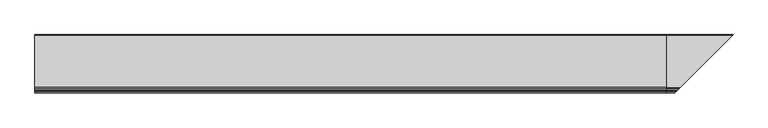
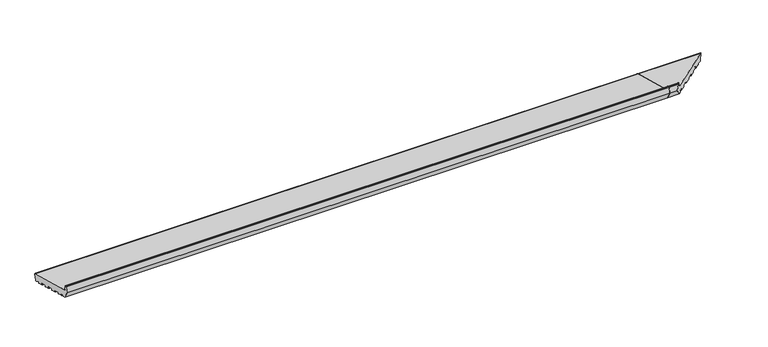
"""IFC4 building model written with IfcOpenShell, lengths in millimetres: proxy geometry."""

from ifc_helpers import new_model, si_unit, point, frame, frame_2d, origin, place, context, project, spatial, polyline, circle_curve, ellipse_curve, trimmed, segment, composite_curve, outline, extrude, source, transform, mapped, element, save
from ifc_brep_helpers import plane_surface, cylinder_surface, revolved_surface, advanced_brep


def generic_models_30f48ffd(model_context):
    return source(origin(), model_context, "Body", "SolidModel", [
        advanced_brep(
        [(2631.0, 24.372022, 5.5048126), (2631.0, 21.6552444, 6.2327709), (2631.0, 7.4870147, 14.8202172), (2631.0, 6.0027589, 14.2238555), (2631.0, 5.0535055, 10.6811935), (2631.0, 3.8287606, 9.9740867), (2631.0, -18.3875334, 15.9269247), (2631.0, -19.0946402, 17.1516696), (2631.0, -18.059364, 21.0153729), (2631.0, -18.7664708, 22.2401178), (2631.0, -41.9486906, 28.4517749), (2631.0, -43.1734355, 27.7446681), (2631.0, -44.2087117, 23.8809648), (2631.0, -45.4334565, 23.173858), (2631.0, -67.6497505, 29.126696), (2631.0, -68.3568573, 30.3514409), (2631.0, -67.3215811, 34.2151442), (2631.0, -68.0286879, 35.4398891), (2631.0, -91.2109077, 41.6515462), (2631.0, -92.4356526, 40.9444394), (2631.0, -93.4709288, 37.0807361), (2631.0, -94.6956737, 36.3736293), (2631.0, -116.9119677, 42.3264673), (2631.0, -117.6190745, 43.5512122), (2631.0, -116.5837983, 47.4149155), (2631.0, -117.2909051, 48.6396604), (2631.0, -140.4731249, 54.8513175), (2631.0, -141.6978698, 54.1442107), (2631.0, -142.7331459, 50.2805074), (2631.0, -143.9578908, 49.5734006), (2631.0, -166.1741848, 55.5262386), (2631.0, -166.8812916, 56.7509835), (2631.0, -165.8460154, 60.6146868), (2631.0, -166.5531222, 61.8394317), (2631.0, -176.2123805, 64.4276221), (2631.0, -177.4371253, 63.7205153), (2631.0, -178.4724015, 59.856812), (2631.0, -179.6971464, 59.1497053), (2631.0, -190.3223305, 61.9967148), (2631.0, -208.0, 92.6153365), (2631.0, -201.4291321, 117.1381494), (2631.0, -199.9802434, 118.2499208), (2631.0, -196.6368689, 118.2499208), (2631.0, -195.1879801, 117.1381494), (2631.0, -190.4052841, 99.2888846), (2631.0, -186.1626434, 95.0462439), (2631.0, 32.6542315, 36.414439), (2631.0, 34.7755518, 32.7402044), (2631.0, 28.0462566, 7.6261329), (2900.0462566, 28.0462566, 7.6261329), (2896.372022, 24.372022, 5.5048126), (2906.7755518, 34.7755518, 32.7402044), (2904.6542315, 32.6542315, 36.414439), (2685.8373566, -186.1626434, 95.0462439), (2681.5947159, -190.4052841, 99.2888846), (2676.8120199, -195.1879801, 117.1381494), (2675.3631311, -196.6368689, 118.2499208), (2672.0197566, -199.9802434, 118.2499208), (2670.5708679, -201.4291321, 117.1381494), (2664.0, -208.0, 92.6153365), (2681.6776695, -190.3223305, 61.9967148), (2692.3028536, -179.6971464, 59.1497053), (2693.5275985, -178.4724015, 59.856812), (2694.5628747, -177.4371253, 63.7205153), (2695.7876195, -176.2123805, 64.4276221), (2705.4468778, -166.5531222, 61.8394317), (2706.1539846, -165.8460154, 60.6146868), (2705.1187084, -166.8812916, 56.7509835), (2705.8258152, -166.1741848, 55.5262386), (2728.0421092, -143.9578908, 49.5734006), (2729.2668541, -142.7331459, 50.2805074), (2730.3021302, -141.6978698, 54.1442107), (2731.5268751, -140.4731249, 54.8513175), (2893.6552444, 21.6552444, 6.2327709), (2754.7090949, -117.2909051, 48.6396604), (2755.0880323, -116.9119677, 42.3264673), (2754.3809255, -117.6190745, 43.5512122), (2755.4162017, -116.5837983, 47.4149155), (2777.3043263, -94.6956737, 36.3736293), (2778.5290712, -93.4709288, 37.0807361), (2779.5643474, -92.4356526, 40.9444394), (2780.7890923, -91.2109077, 41.6515462), (2803.9713121, -68.0286879, 35.4398891), (2804.6784189, -67.3215811, 34.2151442), (2803.6431427, -68.3568573, 30.3514409), (2804.3502495, -67.6497505, 29.126696), (2826.5665435, -45.4334565, 23.173858), (2827.7912883, -44.2087117, 23.8809648), (2828.8265645, -43.1734355, 27.7446681), (2830.0513094, -41.9486906, 28.4517749), (2853.2335292, -18.7664708, 22.2401178), (2853.940636, -18.059364, 21.0153729), (2852.9053598, -19.0946402, 17.1516696), (2853.6124666, -18.3875334, 15.9269247), (2875.8287606, 3.8287606, 9.9740867), (2877.0535055, 5.0535055, 10.6811935), (2878.0027589, 6.0027589, 14.2238555), (2879.4870147, 7.4870147, 14.8202172)],
        [
            (0, 1),
            (1, 2),
            (2, 3, circle_curve(frame((2631.0, 6.9686847, 13.9650365), z_axis=(1.0, 0.0, 0.0), x_axis=(0.0, 1.0, 0.0)), 1.0)),
            (3, 4),
            (4, 5, circle_curve(frame((2631.0, 4.0875797, 10.9400125), z_axis=(-1.0, 0.0, 0.0), x_axis=(0.0, 1.0, 0.0)), 1.0)),
            (5, 6),
            (6, 7, circle_curve(frame((2631.0, -18.1287143, 16.8928505), z_axis=(-1.0, 0.0, 0.0), x_axis=(0.0, 1.0, 0.0)), 1.0)),
            (7, 8),
            (8, 9, circle_curve(frame((2631.0, -19.0252898, 21.2741919), z_axis=(1.0, 0.0, 0.0), x_axis=(0.0, 1.0, 0.0)), 1.0)),
            (9, 10),
            (10, 11, circle_curve(frame((2631.0, -42.2075096, 27.485849), z_axis=(1.0, 0.0, 0.0), x_axis=(0.0, 1.0, 0.0)), 1.0)),
            (11, 12),
            (12, 13, circle_curve(frame((2631.0, -45.1746375, 24.1397838), z_axis=(-1.0, 0.0, 0.0), x_axis=(0.0, 1.0, 0.0)), 1.0)),
            (13, 14),
            (14, 15, circle_curve(frame((2631.0, -67.3909315, 30.0926218), z_axis=(-1.0, 0.0, 0.0), x_axis=(0.0, 1.0, 0.0)), 1.0)),
            (15, 16),
            (16, 17, circle_curve(frame((2631.0, -68.287507, 34.4739632), z_axis=(1.0, 0.0, 0.0), x_axis=(0.0, 1.0, 0.0)), 1.0)),
            (17, 18),
            (18, 19, circle_curve(frame((2631.0, -91.4697268, 40.6856203), z_axis=(1.0, 0.0, 0.0), x_axis=(0.0, 1.0, 0.0)), 1.0)),
            (19, 20),
            (20, 21, circle_curve(frame((2631.0, -94.4368546, 37.3395551), z_axis=(-1.0, 0.0, 0.0), x_axis=(0.0, 1.0, 0.0)), 1.0)),
            (21, 22),
            (22, 23, circle_curve(frame((2631.0, -116.6531486, 43.2923931), z_axis=(-1.0, 0.0, 0.0), x_axis=(0.0, 1.0, 0.0)), 1.0)),
            (23, 24),
            (24, 25, circle_curve(frame((2631.0, -117.5497241, 47.6737345), z_axis=(1.0, 0.0, 0.0), x_axis=(0.0, 1.0, 0.0)), 1.0)),
            (25, 26),
            (26, 27, circle_curve(frame((2631.0, -140.7319439, 53.8853916), z_axis=(1.0, 0.0, 0.0), x_axis=(0.0, 1.0, 0.0)), 1.0)),
            (27, 28),
            (28, 29, circle_curve(frame((2631.0, -143.6990718, 50.5393264), z_axis=(-1.0, 0.0, 0.0), x_axis=(0.0, 1.0, 0.0)), 1.0)),
            (29, 30),
            (30, 31, circle_curve(frame((2631.0, -165.9153658, 56.4921644), z_axis=(-1.0, 0.0, 0.0), x_axis=(0.0, 1.0, 0.0)), 1.0)),
            (31, 32),
            (32, 33, circle_curve(frame((2631.0, -166.8119412, 60.8735058), z_axis=(1.0, 0.0, 0.0), x_axis=(0.0, 1.0, 0.0)), 1.0)),
            (33, 34),
            (34, 35, circle_curve(frame((2631.0, -176.4711995, 63.4616963), z_axis=(1.0, 0.0, 0.0), x_axis=(0.0, 1.0, 0.0)), 1.0)),
            (35, 36),
            (36, 37, circle_curve(frame((2631.0, -179.4383273, 60.1156311), z_axis=(-1.0, 0.0, 0.0), x_axis=(0.0, 1.0, 0.0)), 1.0)),
            (37, 38),
            (38, 39),
            (39, 40),
            (40, 41, circle_curve(frame((2631.0, -199.9802434, 116.7499208), z_axis=(-1.0, 0.0, 0.0), x_axis=(0.0, 1.0, 0.0)), 1.5)),
            (41, 42),
            (42, 43, circle_curve(frame((2631.0, -196.6368689, 116.7499208), z_axis=(-1.0, 0.0, 0.0), x_axis=(0.0, 1.0, 0.0)), 1.5)),
            (43, 44),
            (44, 45, circle_curve(frame((2631.0, -184.6097291, 100.8417989), z_axis=(1.0, 0.0, 0.0), x_axis=(0.0, 1.0, 0.0)), 6.0)),
            (45, 46),
            (46, 47, circle_curve(frame((2631.0, 31.8777743, 33.5166615), z_axis=(-1.0, 0.0, 0.0), x_axis=(0.0, 1.0, 0.0)), 3.0)),
            (47, 48),
            (48, 0, circle_curve(frame((2631.0, 25.1484791, 8.40259), z_axis=(-1.0, 0.0, 0.0), x_axis=(0.0, 1.0, 0.0)), 3.0)),
            (48, 49),
            (49, 50, ellipse_curve(frame((2897.1484791, 25.1484791, 8.40259), z_axis=(-0.707106781186548, 0.7071067811865471, 0.0), x_axis=(0.707106781186547, 0.707106781186548, 0.0)), 4.2426407, 3.0)),
            (50, 0),
            (47, 51),
            (51, 49),
            (46, 52),
            (52, 51, ellipse_curve(frame((2903.8777743, 31.8777743, 33.5166615), z_axis=(-0.707106781186548, 0.7071067811865471, 0.0), x_axis=(0.707106781186547, 0.707106781186548, 0.0)), 4.2426407, 3.0)),
            (45, 53),
            (53, 52),
            (44, 54),
            (54, 53, ellipse_curve(frame((2687.3902709, -184.6097291, 100.8417989), z_axis=(0.707106781186548, -0.7071067811865471, 0.0), x_axis=(-0.707106781186547, -0.707106781186548, 0.0)), 8.4852814, 6.0)),
            (43, 55),
            (55, 54),
            (42, 56),
            (56, 55, ellipse_curve(frame((2675.3631311, -196.6368689, 116.7499208), z_axis=(-0.707106781186548, 0.7071067811865471, 0.0), x_axis=(0.707106781186547, 0.707106781186548, 0.0)), 2.1213203, 1.5)),
            (41, 57),
            (57, 56),
            (40, 58),
            (58, 57, ellipse_curve(frame((2672.0197566, -199.9802434, 116.7499208), z_axis=(-0.707106781186548, 0.7071067811865471, 0.0), x_axis=(0.707106781186547, 0.707106781186548, 0.0)), 2.1213203, 1.5)),
            (39, 59),
            (59, 58),
            (38, 60),
            (60, 59),
            (37, 61),
            (61, 60),
            (36, 62),
            (62, 61, ellipse_curve(frame((2692.5616727, -179.4383273, 60.1156311), z_axis=(-0.707106781186548, 0.7071067811865471, 0.0), x_axis=(0.707106781186547, 0.707106781186548, 0.0)), 1.4142136, 1.0)),
            (35, 63),
            (63, 62),
            (34, 64),
            (64, 63, ellipse_curve(frame((2695.5288005, -176.4711995, 63.4616963), z_axis=(0.707106781186548, -0.7071067811865471, 0.0), x_axis=(-0.707106781186547, -0.707106781186548, 0.0)), 1.4142136, 1.0)),
            (33, 65),
            (65, 64),
            (32, 66),
            (66, 65, ellipse_curve(frame((2705.1880588, -166.8119412, 60.8735058), z_axis=(0.707106781186548, -0.7071067811865471, 0.0), x_axis=(-0.707106781186547, -0.707106781186548, 0.0)), 1.4142136, 1.0)),
            (31, 67),
            (67, 66),
            (30, 68),
            (68, 67, ellipse_curve(frame((2706.0846342, -165.9153658, 56.4921644), z_axis=(-0.707106781186548, 0.7071067811865471, 0.0), x_axis=(0.707106781186547, 0.707106781186548, 0.0)), 1.4142136, 1.0)),
            (29, 69),
            (69, 68),
            (28, 70),
            (70, 69, ellipse_curve(frame((2728.3009282, -143.6990718, 50.5393264), z_axis=(-0.707106781186548, 0.7071067811865471, 0.0), x_axis=(0.707106781186547, 0.707106781186548, 0.0)), 1.4142136, 1.0)),
            (27, 71),
            (71, 70),
            (26, 72),
            (72, 71, ellipse_curve(frame((2731.2680561, -140.7319439, 53.8853916), z_axis=(0.707106781186548, -0.7071067811865471, 0.0), x_axis=(-0.707106781186547, -0.707106781186548, 0.0)), 1.4142136, 1.0)),
            (50, 73),
            (73, 1),
            (25, 74),
            (74, 72),
            (22, 75),
            (75, 76, ellipse_curve(frame((2755.3468514, -116.6531486, 43.2923931), z_axis=(-0.707106781186548, 0.7071067811865471, 0.0), x_axis=(0.707106781186547, 0.707106781186548, 0.0)), 1.4142136, 1.0)),
            (76, 23),
            (76, 77),
            (77, 24),
            (77, 74, ellipse_curve(frame((2754.4502759, -117.5497241, 47.6737345), z_axis=(0.707106781186548, -0.7071067811865471, 0.0), x_axis=(-0.707106781186547, -0.707106781186548, 0.0)), 1.4142136, 1.0)),
            (21, 78),
            (78, 75),
            (20, 79),
            (79, 78, ellipse_curve(frame((2777.5631454, -94.4368546, 37.3395551), z_axis=(-0.707106781186548, 0.7071067811865471, 0.0), x_axis=(0.707106781186547, 0.707106781186548, 0.0)), 1.4142136, 1.0)),
            (19, 80),
            (80, 79),
            (18, 81),
            (81, 80, ellipse_curve(frame((2780.5302732, -91.4697268, 40.6856203), z_axis=(0.707106781186548, -0.7071067811865471, 0.0), x_axis=(-0.707106781186547, -0.707106781186548, 0.0)), 1.4142136, 1.0)),
            (17, 82),
            (82, 81),
            (82, 83, ellipse_curve(frame((2803.712493, -68.287507, 34.4739632), z_axis=(-0.707106781186548, 0.7071067811865471, 0.0), x_axis=(-0.707106781186547, -0.707106781186548, 0.0)), 1.4142136, 1.0)),
            (83, 84),
            (84, 85, ellipse_curve(frame((2804.6090685, -67.3909315, 30.0926218), z_axis=(0.707106781186548, -0.7071067811865471, 0.0), x_axis=(0.707106781186547, 0.707106781186548, 0.0)), 1.4142136, 1.0)),
            (85, 86),
            (86, 87, ellipse_curve(frame((2826.8253625, -45.1746375, 24.1397838), z_axis=(0.707106781186548, -0.7071067811865471, 0.0), x_axis=(0.707106781186547, 0.707106781186548, 0.0)), 1.4142136, 1.0)),
            (87, 88),
            (88, 89, ellipse_curve(frame((2829.7924904, -42.2075096, 27.485849), z_axis=(-0.707106781186548, 0.7071067811865471, 0.0), x_axis=(-0.707106781186547, -0.707106781186548, 0.0)), 1.4142136, 1.0)),
            (89, 90),
            (90, 91, ellipse_curve(frame((2852.9747102, -19.0252898, 21.2741919), z_axis=(-0.707106781186548, 0.7071067811865471, 0.0), x_axis=(-0.707106781186547, -0.707106781186548, 0.0)), 1.4142136, 1.0)),
            (91, 92),
            (92, 93, ellipse_curve(frame((2853.8712857, -18.1287143, 16.8928505), z_axis=(0.707106781186548, -0.7071067811865471, 0.0), x_axis=(0.707106781186547, 0.707106781186548, 0.0)), 1.4142136, 1.0)),
            (93, 94),
            (94, 95, ellipse_curve(frame((2876.0875797, 4.0875797, 10.9400125), z_axis=(0.707106781186548, -0.7071067811865471, 0.0), x_axis=(0.707106781186547, 0.707106781186548, 0.0)), 1.4142136, 1.0)),
            (95, 96),
            (96, 97, ellipse_curve(frame((2878.9686847, 6.9686847, 13.9650365), z_axis=(-0.707106781186548, 0.7071067811865471, 0.0), x_axis=(-0.707106781186547, -0.707106781186548, 0.0)), 1.4142136, 1.0)),
            (97, 73),
            (9, 90),
            (89, 10),
            (88, 11),
            (87, 12),
            (86, 13),
            (85, 14),
            (84, 15),
            (83, 16),
            (97, 2),
            (96, 3),
            (95, 4),
            (94, 5),
            (93, 6),
            (92, 7),
            (91, 8),
        ],
        [
            plane_surface(frame((2631.0, 0.0, 0.0), z_axis=(-1.0, 0.0, 0.0), x_axis=(0.0, 0.0, 1.0))),
            cylinder_surface(frame((2907.4826586, 25.1484791, 8.40259), z_axis=(1.0, 0.0, 0.0), x_axis=(0.0, 1.0, 0.0)), 3.0),
            plane_surface(frame((2907.4826586, 34.7755518, 32.7402044), z_axis=(0.0, 0.9659258262890675, -0.25881904510252357), x_axis=(-1.0, 0.0, 0.0))),
            cylinder_surface(frame((2907.4826586, 31.8777743, 33.5166615), z_axis=(1.0, 0.0, 0.0), x_axis=(0.0, 1.0, 0.0)), 3.0),
            plane_surface(frame((2907.4826586, -186.1626434, 95.0462439), z_axis=(0.0, 0.2588190451025208, 0.9659258262890683), x_axis=(-1.0, 0.0, 0.0))),
            revolved_surface(polyline([(2631.0, -178.6097291, 100.8417989), (2693.390270918216, -178.6097291, 100.8417989)]), (2907.4826586, -184.6097291, 100.8417989), (-1.0, 0.0, 0.0)),
            plane_surface(frame((2907.4826586, -195.1879801, 117.1381494), z_axis=(0.0, 0.9659258262890698, 0.25881904510251524), x_axis=(-1.0, 0.0, 0.0))),
            cylinder_surface(frame((2907.4826586, -196.6368689, 116.7499208), z_axis=(1.0, 0.0, 0.0), x_axis=(0.0, 1.0, 0.0)), 1.5),
            plane_surface(frame((2907.4826586, -199.9802434, 118.2499208), z_axis=(0.0, 0.0, 1.0), x_axis=(-1.0, 0.0, 0.0))),
            cylinder_surface(frame((2907.4826586, -199.9802434, 116.7499208), z_axis=(1.0, 0.0, 0.0), x_axis=(0.0, 1.0, 0.0)), 1.5),
            plane_surface(frame((2907.4826586, -208.0, 92.6153365), z_axis=(0.0, -0.9659258262890684, 0.2588190451025204), x_axis=(-1.0, 0.0, 0.0))),
            plane_surface(frame((2907.4826586, -190.3223305, 61.9967148), z_axis=(0.0, -0.8660254037844406, -0.49999999999999667), x_axis=(-1.0, 0.0, 0.0))),
            plane_surface(frame((2907.4826586, -179.6971464, 59.1497053), z_axis=(0.0, -0.2588190451025198, -0.9659258262890686), x_axis=(-1.0, 0.0, 0.0))),
            cylinder_surface(frame((2907.4826586, -179.4383273, 60.1156311), z_axis=(1.0, 0.0, 0.0), x_axis=(0.0, 1.0, 0.0)), 1.0),
            plane_surface(frame((2907.4826586, -177.4371253, 63.7205153), z_axis=(0.0, 0.9659258262890634, -0.2588190451025389), x_axis=(-1.0, 0.0, 0.0))),
            revolved_surface(polyline([(2631.0, -175.4711995, 63.4616963), (2696.5288005266066, -175.4711995, 63.4616963)]), (2907.4826586, -176.4711995, 63.4616963), (-1.0, 0.0, 0.0)),
            plane_surface(frame((2907.4826586, -166.5531222, 61.8394317), z_axis=(0.0, -0.25881904510251746, -0.9659258262890692), x_axis=(-1.0, 0.0, 0.0))),
            revolved_surface(polyline([(2631.0, -165.8119412, 60.8735058), (2706.1880588266063, -165.8119412, 60.8735058)]), (2907.4826586, -166.8119412, 60.8735058), (-1.0, 0.0, 0.0)),
            plane_surface(frame((2907.4826586, -166.8812916, 56.7509835), z_axis=(0.0, -0.9659258262890634, 0.2588190451025389), x_axis=(-1.0, 0.0, 0.0))),
            cylinder_surface(frame((2907.4826586, -165.9153658, 56.4921644), z_axis=(1.0, 0.0, 0.0), x_axis=(0.0, 1.0, 0.0)), 1.0),
            plane_surface(frame((2907.4826586, -143.9578908, 49.5734006), z_axis=(0.0, -0.25881904510251785, -0.9659258262890691), x_axis=(-1.0, 0.0, 0.0))),
            cylinder_surface(frame((2907.4826586, -143.6990718, 50.5393264), z_axis=(1.0, 0.0, 0.0), x_axis=(0.0, 1.0, 0.0)), 1.0),
            plane_surface(frame((2907.4826586, -141.6978698, 54.1442107), z_axis=(0.0, 0.9659258262890634, -0.2588190451025389), x_axis=(-1.0, 0.0, 0.0))),
            revolved_surface(polyline([(2631.0, -139.7319439, 53.8853916), (2732.2680561266066, -139.7319439, 53.8853916)]), (2907.4826586, -140.7319439, 53.8853916), (-1.0, 0.0, 0.0)),
            plane_surface(frame((2907.4826586, 24.372022, 5.5048126), z_axis=(0.0, -0.25881904510251474, -0.9659258262890699), x_axis=(-1.0, 0.0, 0.0))),
            plane_surface(frame((2907.4826586, -117.2909051, 48.6396604), z_axis=(0.0, -0.25881904510252063, -0.9659258262890683), x_axis=(-1.0, 0.0, 0.0))),
            cylinder_surface(frame((2907.4826586, -116.6531486, 43.2923931), z_axis=(1.0, 0.0, 0.0), x_axis=(0.0, 1.0, 0.0)), 1.0),
            plane_surface(frame((2907.4826586, -117.6190745, 43.5512122), z_axis=(0.0, -0.9659258262890624, 0.25881904510254283), x_axis=(-1.0, 0.0, 0.0))),
            revolved_surface(polyline([(2631.0, -116.5497241, 47.6737345), (2755.4502759266065, -116.5497241, 47.6737345)]), (2907.4826586, -117.5497241, 47.6737345), (-1.0, 0.0, 0.0)),
            plane_surface(frame((2907.4826586, -94.6956737, 36.3736293), z_axis=(0.0, -0.2588190451025221, -0.965925826289068), x_axis=(-1.0, 0.0, 0.0))),
            cylinder_surface(frame((2907.4826586, -94.4368546, 37.3395551), z_axis=(1.0, 0.0, 0.0), x_axis=(0.0, 1.0, 0.0)), 1.0),
            plane_surface(frame((2907.4826586, -92.4356526, 40.9444394), z_axis=(0.0, 0.9659258262890624, -0.25881904510254283), x_axis=(-1.0, 0.0, 0.0))),
            revolved_surface(polyline([(2631.0, -90.4697268, 40.6856203), (2781.5302732266064, -90.4697268, 40.6856203)]), (2907.4826586, -91.4697268, 40.6856203), (-1.0, 0.0, 0.0)),
            plane_surface(frame((2907.4826586, -68.0286879, 35.4398891), z_axis=(0.0, -0.258819045102523, -0.9659258262890678), x_axis=(-1.0, 0.0, 0.0))),
            plane_surface(frame((2853.2588285, -18.7411715, 0.0), z_axis=(0.707106781186548, -0.7071067811865471, 0.0), x_axis=(0.0, 0.0, 1.0))),
            plane_surface(frame((2907.4826586, -18.7664708, 22.2401178), z_axis=(0.0, -0.2588190451025225, -0.9659258262890679), x_axis=(-1.0, 0.0, 0.0))),
            revolved_surface(polyline([(2631.0, -41.2075096, 27.485849), (2830.7924904266065, -41.2075096, 27.485849)]), (2907.4826586, -42.2075096, 27.485849), (-1.0, 0.0, 0.0)),
            plane_surface(frame((2907.4826586, -43.1734355, 27.7446681), z_axis=(0.0, 0.9659258262890772, -0.2588190451024876), x_axis=(-1.0, 0.0, 0.0))),
            cylinder_surface(frame((2907.4826586, -45.1746375, 24.1397838), z_axis=(1.0, 0.0, 0.0), x_axis=(0.0, 1.0, 0.0)), 1.0),
            plane_surface(frame((2907.4826586, -45.4334565, 23.173858), z_axis=(0.0, -0.2588190451025221, -0.965925826289068), x_axis=(-1.0, 0.0, 0.0))),
            cylinder_surface(frame((2907.4826586, -67.3909315, 30.0926218), z_axis=(1.0, 0.0, 0.0), x_axis=(0.0, 1.0, 0.0)), 1.0),
            plane_surface(frame((2907.4826586, -68.3568573, 30.3514409), z_axis=(0.0, -0.9659258262890634, 0.2588190451025389), x_axis=(-1.0, 0.0, 0.0))),
            revolved_surface(polyline([(2631.0, -67.287507, 34.4739632), (2804.7124930266064, -67.287507, 34.4739632)]), (2907.4826586, -68.287507, 34.4739632), (-1.0, 0.0, 0.0)),
            plane_surface(frame((2907.4826586, 21.6552444, 6.2327709), z_axis=(0.0, -0.5183299834329773, -0.8551806991942519), x_axis=(-1.0, 0.0, 0.0))),
            revolved_surface(polyline([(2631.0, 7.9686847, 13.9650365), (2879.968684726606, 7.9686847, 13.9650365)]), (2907.4826586, 6.9686847, 13.9650365), (-1.0, 0.0, 0.0)),
            plane_surface(frame((2907.4826586, 6.0027589, 14.2238555), z_axis=(0.0, 0.9659258262890678, -0.2588190451025227), x_axis=(-1.0, 0.0, 0.0))),
            cylinder_surface(frame((2907.4826586, 4.0875797, 10.9400125), z_axis=(1.0, 0.0, 0.0), x_axis=(0.0, 1.0, 0.0)), 1.0),
            plane_surface(frame((2907.4826586, 3.8287606, 9.9740867), z_axis=(0.0, -0.25881904510252224, -0.965925826289068), x_axis=(-1.0, 0.0, 0.0))),
            cylinder_surface(frame((2907.4826586, -18.1287143, 16.8928505), z_axis=(1.0, 0.0, 0.0), x_axis=(0.0, 1.0, 0.0)), 1.0),
            plane_surface(frame((2907.4826586, -19.0946402, 17.1516696), z_axis=(0.0, -0.9659258262890629, 0.2588190451025409), x_axis=(-1.0, 0.0, 0.0))),
            revolved_surface(polyline([(2631.0, -18.0252898, 21.2741919), (2853.9747102266065, -18.0252898, 21.2741919)]), (2907.4826586, -19.0252898, 21.2741919), (-1.0, 0.0, 0.0)),
        ],
        [
            (0, [[1, 2, 3, 4, 5, 6, 7, 8, 9, 10, 11, 12, 13, 14, 15, 16, 17, 18, 19, 20, 21, 22, 23, 24, 25, 26, 27, 28, 29, 30, 31, 32, 33, 34, 35, 36, 37, 38, 39, 40, 41, 42, 43, 44, 45, 46, 47, 48, 49]]),
            (1, [[50, 51, 52, -49]]),
            (2, [[53, 54, -50, -48]]),
            (3, [[55, 56, -53, -47]]),
            (4, [[57, 58, -55, -46]]),
            (5, [[59, 60, -57, -45]]),
            (6, [[61, 62, -59, -44]]),
            (7, [[63, 64, -61, -43]]),
            (8, [[65, 66, -63, -42]]),
            (9, [[67, 68, -65, -41]]),
            (10, [[69, 70, -67, -40]]),
            (11, [[71, 72, -69, -39]]),
            (12, [[73, 74, -71, -38]]),
            (13, [[75, 76, -73, -37]]),
            (14, [[77, 78, -75, -36]]),
            (15, [[79, 80, -77, -35]]),
            (16, [[81, 82, -79, -34]]),
            (17, [[83, 84, -81, -33]]),
            (18, [[85, 86, -83, -32]]),
            (19, [[87, 88, -85, -31]]),
            (20, [[89, 90, -87, -30]]),
            (21, [[91, 92, -89, -29]]),
            (22, [[93, 94, -91, -28]]),
            (23, [[95, 96, -93, -27]]),
            (24, [[-52, 97, 98, -1]]),
            (25, [[99, 100, -95, -26]]),
            (26, [[101, 102, 103, -23]]),
            (27, [[-103, 104, 105, -24]]),
            (28, [[-105, 106, -99, -25]]),
            (29, [[107, 108, -101, -22]]),
            (30, [[109, 110, -107, -21]]),
            (31, [[111, 112, -109, -20]]),
            (32, [[113, 114, -111, -19]]),
            (33, [[115, 116, -113, -18]]),
            (34, [[-54, -56, -58, -60, -62, -64, -66, -68, -70, -72, -74, -76, -78, -80, -82, -84, -86, -88, -90, -92, -94, -96, -100, -106, -104, -102, -108, -110, -112, -114, -116, 117, 118, 119, 120, 121, 122, 123, 124, 125, 126, 127, 128, 129, 130, 131, 132, -97, -51]]),
            (35, [[133, -124, 134, -10]]),
            (36, [[-134, -123, 135, -11]]),
            (37, [[-135, -122, 136, -12]]),
            (38, [[-136, -121, 137, -13]]),
            (39, [[-137, -120, 138, -14]]),
            (40, [[-138, -119, 139, -15]]),
            (41, [[-139, -118, 140, -16]]),
            (42, [[-140, -117, -115, -17]]),
            (43, [[-98, -132, 141, -2]]),
            (44, [[-141, -131, 142, -3]]),
            (45, [[-142, -130, 143, -4]]),
            (46, [[-143, -129, 144, -5]]),
            (47, [[-144, -128, 145, -6]]),
            (48, [[-145, -127, 146, -7]]),
            (49, [[-146, -126, 147, -8]]),
            (50, [[-147, -125, -133, -9]]),
        ],
    ),
        extrude(outline(composite_curve([segment(polyline([(24.372022, 5.5048126), (21.6552444, 6.2327709), (7.4870147, 14.8202172)]), True, "CONTINUOUS"), segment(trimmed(circle_curve(frame_2d((6.9686847, 13.9650365)), 1.0), [point((7.4870147, 14.8202172))], [point((6.0027589, 14.2238555))], True, "CARTESIAN"), True, "CONTINUOUS"), segment(polyline([(6.0027589, 14.2238555), (5.0535055, 10.6811935)]), True, "CONTINUOUS"), segment(trimmed(circle_curve(frame_2d((4.0875797, 10.9400125)), 1.0), [point((5.0535055, 10.6811935))], [point((3.8287606, 9.9740867))], False, "CARTESIAN"), True, "CONTINUOUS"), segment(polyline([(3.8287606, 9.9740867), (-18.3875334, 15.9269247)]), True, "CONTINUOUS"), segment(trimmed(circle_curve(frame_2d((-18.1287143, 16.8928505)), 1.0), [point((-18.3875334, 15.9269247))], [point((-19.0946402, 17.1516696))], False, "CARTESIAN"), True, "CONTINUOUS"), segment(polyline([(-19.0946402, 17.1516696), (-18.059364, 21.0153729)]), True, "CONTINUOUS"), segment(trimmed(circle_curve(frame_2d((-19.0252898, 21.2741919)), 1.0), [point((-18.059364, 21.0153729))], [point((-18.7664708, 22.2401178))], True, "CARTESIAN"), True, "CONTINUOUS"), segment(polyline([(-18.7664708, 22.2401178), (-41.9486906, 28.4517749)]), True, "CONTINUOUS"), segment(trimmed(circle_curve(frame_2d((-42.2075096, 27.485849)), 1.0), [point((-41.9486906, 28.4517749))], [point((-43.1734355, 27.7446681))], True, "CARTESIAN"), True, "CONTINUOUS"), segment(polyline([(-43.1734355, 27.7446681), (-44.2087117, 23.8809648)]), True, "CONTINUOUS"), segment(trimmed(circle_curve(frame_2d((-45.1746375, 24.1397838)), 1.0), [point((-44.2087117, 23.8809648))], [point((-45.4334565, 23.173858))], False, "CARTESIAN"), True, "CONTINUOUS"), segment(polyline([(-45.4334565, 23.173858), (-67.6497505, 29.126696)]), True, "CONTINUOUS"), segment(trimmed(circle_curve(frame_2d((-67.3909315, 30.0926218)), 1.0), [point((-67.6497505, 29.126696))], [point((-68.3568573, 30.3514409))], False, "CARTESIAN"), True, "CONTINUOUS"), segment(polyline([(-68.3568573, 30.3514409), (-67.3215811, 34.2151442)]), True, "CONTINUOUS"), segment(trimmed(circle_curve(frame_2d((-68.287507, 34.4739632)), 1.0), [point((-67.3215811, 34.2151442))], [point((-68.0286879, 35.4398891))], True, "CARTESIAN"), True, "CONTINUOUS"), segment(polyline([(-68.0286879, 35.4398891), (-91.2109077, 41.6515462)]), True, "CONTINUOUS"), segment(trimmed(circle_curve(frame_2d((-91.4697268, 40.6856203)), 1.0), [point((-91.2109077, 41.6515462))], [point((-92.4356526, 40.9444394))], True, "CARTESIAN"), True, "CONTINUOUS"), segment(polyline([(-92.4356526, 40.9444394), (-93.4709288, 37.0807361)]), True, "CONTINUOUS"), segment(trimmed(circle_curve(frame_2d((-94.4368546, 37.3395551)), 1.0), [point((-93.4709288, 37.0807361))], [point((-94.6956737, 36.3736293))], False, "CARTESIAN"), True, "CONTINUOUS"), segment(polyline([(-94.6956737, 36.3736293), (-116.9119677, 42.3264673)]), True, "CONTINUOUS"), segment(trimmed(circle_curve(frame_2d((-116.6531486, 43.2923931)), 1.0), [point((-116.9119677, 42.3264673))], [point((-117.6190745, 43.5512122))], False, "CARTESIAN"), True, "CONTINUOUS"), segment(polyline([(-117.6190745, 43.5512122), (-116.5837983, 47.4149155)]), True, "CONTINUOUS"), segment(trimmed(circle_curve(frame_2d((-117.5497241, 47.6737345)), 1.0), [point((-116.5837983, 47.4149155))], [point((-117.2909051, 48.6396604))], True, "CARTESIAN"), True, "CONTINUOUS"), segment(polyline([(-117.2909051, 48.6396604), (-140.4731249, 54.8513175)]), True, "CONTINUOUS"), segment(trimmed(circle_curve(frame_2d((-140.7319439, 53.8853916)), 1.0), [point((-140.4731249, 54.8513175))], [point((-141.6978698, 54.1442107))], True, "CARTESIAN"), True, "CONTINUOUS"), segment(polyline([(-141.6978698, 54.1442107), (-142.7331459, 50.2805074)]), True, "CONTINUOUS"), segment(trimmed(circle_curve(frame_2d((-143.6990718, 50.5393264)), 1.0), [point((-142.7331459, 50.2805074))], [point((-143.9578908, 49.5734006))], False, "CARTESIAN"), True, "CONTINUOUS"), segment(polyline([(-143.9578908, 49.5734006), (-166.1741848, 55.5262386)]), True, "CONTINUOUS"), segment(trimmed(circle_curve(frame_2d((-165.9153658, 56.4921644)), 1.0), [point((-166.1741848, 55.5262386))], [point((-166.8812916, 56.7509835))], False, "CARTESIAN"), True, "CONTINUOUS"), segment(polyline([(-166.8812916, 56.7509835), (-165.8460154, 60.6146868)]), True, "CONTINUOUS"), segment(trimmed(circle_curve(frame_2d((-166.8119412, 60.8735058)), 1.0), [point((-165.8460154, 60.6146868))], [point((-166.5531222, 61.8394317))], True, "CARTESIAN"), True, "CONTINUOUS"), segment(polyline([(-166.5531222, 61.8394317), (-176.2123805, 64.4276221)]), True, "CONTINUOUS"), segment(trimmed(circle_curve(frame_2d((-176.4711995, 63.4616963)), 1.0), [point((-176.2123805, 64.4276221))], [point((-177.4371253, 63.7205153))], True, "CARTESIAN"), True, "CONTINUOUS"), segment(polyline([(-177.4371253, 63.7205153), (-178.4724015, 59.856812)]), True, "CONTINUOUS"), segment(trimmed(circle_curve(frame_2d((-179.4383273, 60.1156311)), 1.0), [point((-178.4724015, 59.856812))], [point((-179.6971464, 59.1497053))], False, "CARTESIAN"), True, "CONTINUOUS"), segment(polyline([(-179.6971464, 59.1497053), (-190.3223305, 61.9967148), (-208.0, 92.6153365), (-201.4291321, 117.1381494)]), True, "CONTINUOUS"), segment(trimmed(circle_curve(frame_2d((-199.9802434, 116.7499208)), 1.5), [point((-201.4291321, 117.1381494))], [point((-199.9802434, 118.2499208))], False, "CARTESIAN"), True, "CONTINUOUS"), segment(polyline([(-199.9802434, 118.2499208), (-196.6368689, 118.2499208)]), True, "CONTINUOUS"), segment(trimmed(circle_curve(frame_2d((-196.6368689, 116.7499208)), 1.5), [point((-196.6368689, 118.2499208))], [point((-195.1879801, 117.1381494))], False, "CARTESIAN"), True, "CONTINUOUS"), segment(polyline([(-195.1879801, 117.1381494), (-190.4052841, 99.2888846)]), True, "CONTINUOUS"), segment(trimmed(circle_curve(frame_2d((-184.6097291, 100.8417989)), 6.0), [point((-190.4052841, 99.2888846))], [point((-186.1626434, 95.0462439))], True, "CARTESIAN"), True, "CONTINUOUS"), segment(polyline([(-186.1626434, 95.0462439), (32.6542315, 36.414439)]), True, "CONTINUOUS"), segment(trimmed(circle_curve(frame_2d((31.8777743, 33.5166615)), 3.0), [point((32.6542315, 36.414439))], [point((34.7755518, 32.7402044))], False, "CARTESIAN"), True, "CONTINUOUS"), segment(polyline([(34.7755518, 32.7402044), (28.0462566, 7.6261329)]), True, "CONTINUOUS"), segment(trimmed(circle_curve(frame_2d((25.1484791, 8.40259)), 3.0), [point((28.0462566, 7.6261329))], [point((24.372022, 5.5048126))], False, "CARTESIAN"), True, "CONTINUOUS")], self_intersect=False)), frame((0.0, 0.0, 0.0), z_axis=(1.0, 0.0, 0.0), x_axis=(0.0, 1.0, 0.0)), (0.0, 0.0, 1.0), 2631.0),
    ])


if __name__ == "__main__":
    model = new_model("IFC4")
    model_context = context("Model", 3, world=origin())
    ifc_project = project(units=[si_unit("LENGTHUNIT", "METRE", prefix="MILLI")], contexts=[model_context])
    site = spatial("IfcSite", under=ifc_project)
    building = spatial("IfcBuilding", under=site)
    placement = place(None, origin())
    generic_models_shape = generic_models_30f48ffd(model_context)
    element("IfcBuildingElementProxy", 1, Name="Generic Models", at=placement, inside=building, context=model_context, shape_type="MappedRepresentation", body=[
        mapped(generic_models_shape, transform((0.0, 0.0, 0.0), x_axis=(1.0, 0.0, 0.0), y_axis=(0.0, 1.0, 0.0), z_axis=(0.0, 0.0, 1.0))),
    ])
    save(model, "model.ifc")
